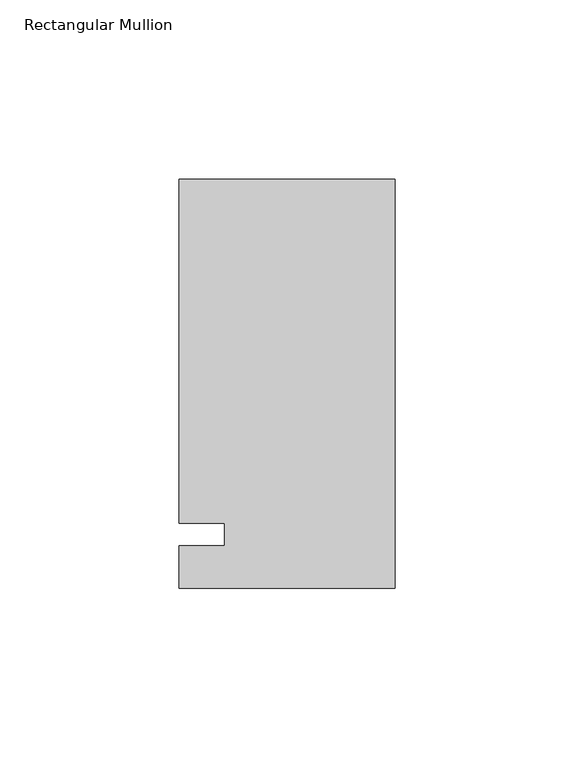
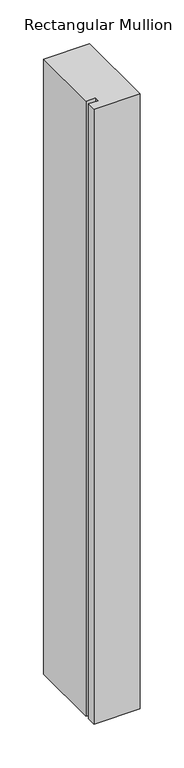
"""IFC4 building model written with IfcOpenShell, lengths in millimetres: member geometry, Rectangular Mullion."""

from ifc_helpers import new_model, si_unit, frame, origin, place, context, project, spatial, polyline, outline, extrude, source, transform, mapped, element, save


def rectangular_mullion_b3e0ec01(model_context):
    return source(origin(), model_context, "Body", "SweptSolid", [
        extrude(outline(polyline([(-60.325, 99.21875), (0.0, 99.21875), (0.0, -15.08125), (-60.325, -15.08125), (-60.325, -3.175), (-47.625, -3.175), (-47.625, 3.175), (-60.325, 3.175), (-60.325, 99.21875)])), frame((0.0, 0.0, -854.075), z_axis=(0.0, 0.0, 1.0), x_axis=(1.0, 0.0, 0.0)), (0.0, 0.0, 1.0), 854.075),
    ])


if __name__ == "__main__":
    model = new_model("IFC4")
    model_context = context("Model", 3, world=origin())
    ifc_project = project(units=[si_unit("LENGTHUNIT", "METRE", prefix="MILLI")], contexts=[model_context])
    site = spatial("IfcSite", under=ifc_project)
    building = spatial("IfcBuilding", under=site)
    placement = place(None, origin())
    rectangular_mullion_shape = rectangular_mullion_b3e0ec01(model_context)
    element("IfcMember", 1, ObjectType="Rectangular Mullion", at=placement, inside=building, context=model_context, shape_type="MappedRepresentation", body=[
        mapped(rectangular_mullion_shape, transform((0.0, 0.0, 0.0), x_axis=(1.0, 0.0, 0.0), y_axis=(0.0, 1.0, 0.0), z_axis=(0.0, 0.0, 1.0))),
    ])
    save(model, "model.ifc")
